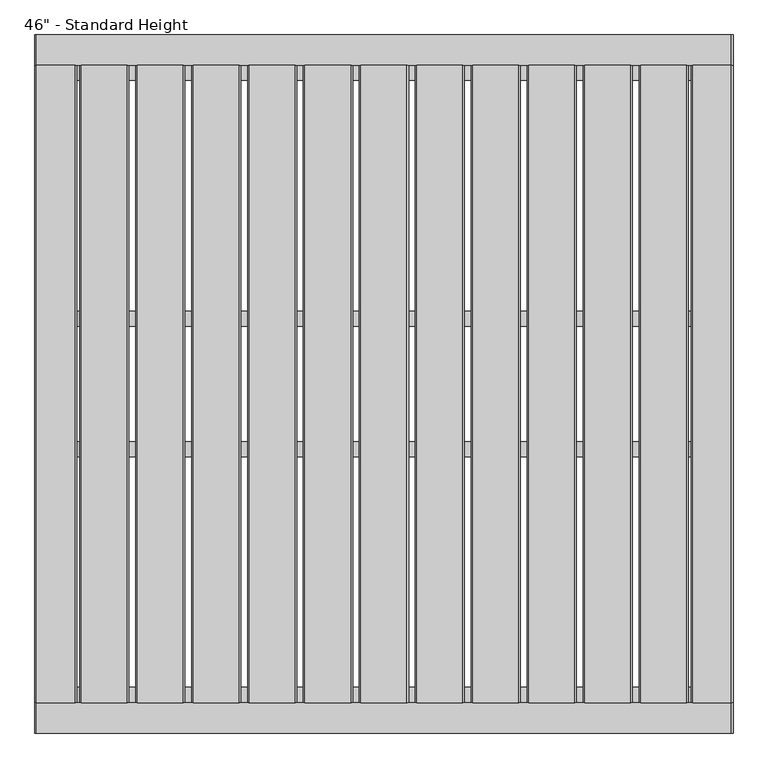
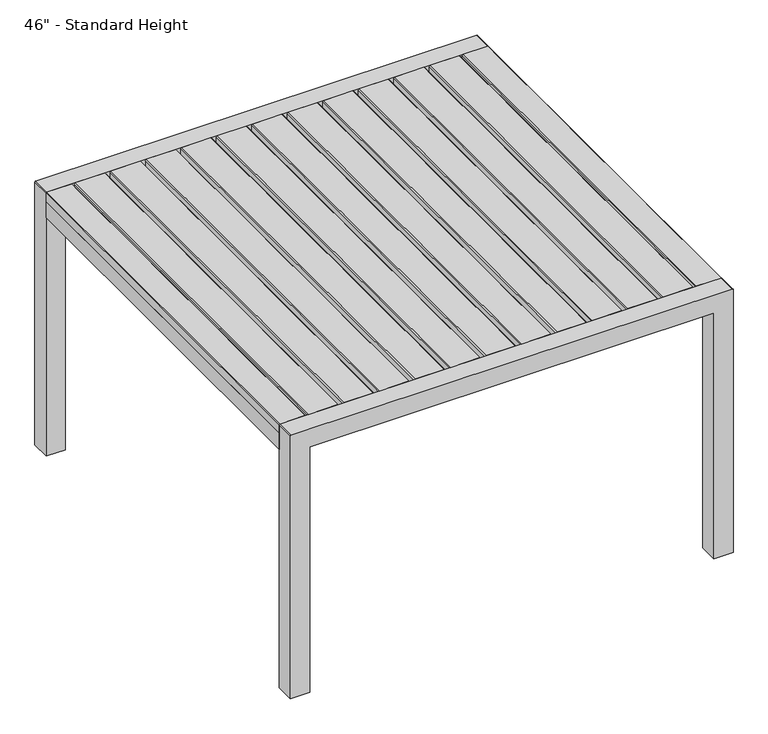
"""IFC4 building model written with IfcOpenShell, lengths in millimetres: furniture geometry."""

from ifc_helpers import new_model, si_unit, point, frame, frame_2d, origin, place, context, project, spatial, polyline, circle_curve, trimmed, segment, composite_curve, outline, extrude, source, transform, mapped, element, save


def furniture_1e94e66c(model_context):
    return source(origin(), model_context, "Body", "SweptSolid", [
        extrude(outline(polyline([(711.2, 415.6471875), (734.0767182, 415.6471875), (736.6, 413.1239373), (736.6, 336.0173127), (734.0767182, 333.4940625), (711.2, 333.4940625), (711.2, 415.6471875)])), frame((0.0, -537.4299408, 0.0), z_axis=(0.0, 1.0, 0.0), x_axis=(0.0, 0.0, 1.0)), (0.0, 0.0, 1.0), 1066.8),
        extrude(outline(polyline([(711.2, 322.0045313), (734.0767182, 322.0045313), (736.6, 319.4812811), (736.6, 242.3746564), (734.0767182, 239.8514063), (711.2, 239.8514063), (711.2, 322.0045313)])), frame((0.0, -537.4299408, 0.0), z_axis=(0.0, 1.0, 0.0), x_axis=(0.0, 0.0, 1.0)), (0.0, 0.0, 1.0), 1066.8),
        extrude(outline(polyline([(711.2, 228.361875), (734.0767182, 228.361875), (736.6, 225.8386248), (736.6, 148.7320002), (734.0767182, 146.20875), (711.2, 146.20875), (711.2, 228.361875)])), frame((0.0, -537.4299408, 0.0), z_axis=(0.0, 1.0, 0.0), x_axis=(0.0, 0.0, 1.0)), (0.0, 0.0, 1.0), 1066.8),
        extrude(outline(polyline([(711.2, 134.7192188), (734.0767182, 134.7192188), (736.6, 132.1959686), (736.6, 55.0893439), (734.0767182, 52.5660938), (711.2, 52.5660938), (711.2, 134.7192188)])), frame((0.0, -537.4299408, 0.0), z_axis=(0.0, 1.0, 0.0), x_axis=(0.0, 0.0, 1.0)), (0.0, 0.0, 1.0), 1066.8),
        extrude(outline(polyline([(711.2, 41.0765625), (734.0767182, 41.0765625), (736.6, 38.5533123), (736.6, -38.5533123), (734.0767182, -41.0765625), (711.2, -41.0765625), (711.2, 41.0765625)])), frame((0.0, -537.4299408, 0.0), z_axis=(0.0, 1.0, 0.0), x_axis=(0.0, 0.0, 1.0)), (0.0, 0.0, 1.0), 1066.8),
        extrude(outline(polyline([(711.2, -52.5660937), (734.0767182, -52.5660937), (736.6, -55.0893439), (736.6, -132.1959686), (734.0767182, -134.7192187), (711.2, -134.7192187), (711.2, -52.5660937)])), frame((0.0, -537.4299408, 0.0), z_axis=(0.0, 1.0, 0.0), x_axis=(0.0, 0.0, 1.0)), (0.0, 0.0, 1.0), 1066.8),
        extrude(outline(polyline([(711.2, -146.20875), (734.0767182, -146.20875), (736.6, -148.7320002), (736.6, -225.8386248), (734.0767182, -228.361875), (711.2, -228.361875), (711.2, -146.20875)])), frame((0.0, -537.4299408, 0.0), z_axis=(0.0, 1.0, 0.0), x_axis=(0.0, 0.0, 1.0)), (0.0, 0.0, 1.0), 1066.8),
        extrude(outline(polyline([(711.2, -239.8514063), (734.0767182, -239.8514063), (736.6, -242.3746564), (736.6, -319.4812811), (734.0767182, -322.0045312), (711.2, -322.0045312), (711.2, -239.8514063)])), frame((0.0, -537.4299408, 0.0), z_axis=(0.0, 1.0, 0.0), x_axis=(0.0, 0.0, 1.0)), (0.0, 0.0, 1.0), 1066.8),
        extrude(outline(polyline([(711.2, -333.4940625), (734.0767182, -333.4940625), (736.6, -336.0173127), (736.6, -413.1239373), (734.0767182, -415.6471875), (711.2, -415.6471875), (711.2, -333.4940625)])), frame((0.0, -537.4299408, 0.0), z_axis=(0.0, 1.0, 0.0), x_axis=(0.0, 0.0, 1.0)), (0.0, 0.0, 1.0), 1066.8),
        extrude(outline(polyline([(711.2, 509.2898438), (734.0767182, 509.2898438), (736.6, 506.7665936), (736.6, 429.6599689), (734.0767182, 427.1367188), (711.2, 427.1367188), (711.2, 509.2898438)])), frame((0.0, -537.4299408, 0.0), z_axis=(0.0, 1.0, 0.0), x_axis=(0.0, 0.0, 1.0)), (0.0, 0.0, 1.0), 1066.8),
        extrude(outline(polyline([(711.2, -427.1367188), (734.0767182, -427.1367188), (736.6, -429.6599689), (736.6, -506.7665936), (734.0767182, -509.2898437), (711.2, -509.2898437), (711.2, -427.1367188)])), frame((0.0, -537.4299408, 0.0), z_axis=(0.0, 1.0, 0.0), x_axis=(0.0, 0.0, 1.0)), (0.0, 0.0, 1.0), 1066.8),
        extrude(outline(polyline([(711.2, -584.2), (711.2, -514.3499879), (734.0596996, -514.3499879), (736.6, -516.8902519), (736.6, -581.6597481), (734.0597117, -584.2), (711.2, -584.2)])), frame((0.0, -537.4299408, 0.0), z_axis=(0.0, 1.0, 0.0), x_axis=(0.0, 0.0, 1.0)), (0.0, 0.0, 1.0), 1066.8),
        extrude(outline(polyline([(711.2, 584.2), (734.0597117, 584.2), (736.6, 581.6597481), (736.6, 516.8902519), (734.0596996, 514.3499879), (711.2, 514.3499879), (711.2, 584.2)])), frame((0.0, -537.4299408, 0.0), z_axis=(0.0, 1.0, 0.0), x_axis=(0.0, 0.0, 1.0)), (0.0, 0.0, 1.0), 1066.8),
        extrude(outline(polyline([(533.3999879, -100.3382701), (533.3999879, -125.7382731), (-533.3999879, -125.7382731), (-533.3999879, -100.3382701), (533.3999879, -100.3382701)])), frame((0.0, 0.0, 685.8), z_axis=(0.0, 0.0, 1.0), x_axis=(1.0, 0.0, 0.0)), (0.0, 0.0, 1.0), 25.4),
        extrude(outline(polyline([(533.3999879, -512.0299347), (533.3999879, -537.4299408), (-533.3999879, -537.4299408), (-533.3999879, -512.0299347), (533.3999879, -512.0299347)])), frame((0.0, 0.0, 685.8), z_axis=(0.0, 0.0, 1.0), x_axis=(1.0, 0.0, 0.0)), (0.0, 0.0, 1.0), 25.4),
        extrude(outline(polyline([(533.3999879, 529.3700592), (533.3999879, 503.9700532), (-533.3999879, 503.9700532), (-533.3999879, 529.3700592), (533.3999879, 529.3700592)])), frame((0.0, 0.0, 685.8), z_axis=(0.0, 0.0, 1.0), x_axis=(1.0, 0.0, 0.0)), (0.0, 0.0, 1.0), 25.4),
        extrude(outline(polyline([(533.3999879, 117.6783915), (533.3999879, 92.2783885), (-533.3999879, 92.2783885), (-533.3999879, 117.6783915), (533.3999879, 117.6783915)])), frame((0.0, 0.0, 685.8), z_axis=(0.0, 0.0, 1.0), x_axis=(1.0, 0.0, 0.0)), (0.0, 0.0, 1.0), 25.4),
        extrude(outline(polyline([(-533.3999879, -537.4299408), (-584.2, -537.4299408), (-584.2, 529.3700592), (-533.3999879, 529.3700592), (-533.3999879, -537.4299408)])), frame((0.0, 0.0, 665.734001), z_axis=(0.0, 0.0, 1.0), x_axis=(1.0, 0.0, 0.0)), (0.0, 0.0, 1.0), 45.465999),
        extrude(outline(polyline([(584.2, -537.4299408), (533.3999879, -537.4299408), (533.3999879, 529.3700592), (584.2, 529.3700592), (584.2, -537.4299408)])), frame((0.0, 0.0, 665.734001), z_axis=(0.0, 0.0, 1.0), x_axis=(1.0, 0.0, 0.0)), (0.0, 0.0, 1.0), 45.465999),
        extrude(outline(composite_curve([segment(polyline([(0.0, -533.3999879), (685.8, -533.3999879), (685.8, 533.3999879), (0.0, 533.3999879), (0.0, 584.2), (734.0203125, 584.2)]), True, "CONTINUOUS"), segment(trimmed(circle_curve(frame_2d((734.0203125, 581.6203125)), 2.5796875), [point((734.0203125, 584.2))], [point((736.6, 581.6203125))], False, "CARTESIAN"), True, "CONTINUOUS"), segment(polyline([(736.6, 581.6203125), (736.6, -581.6203125)]), True, "CONTINUOUS"), segment(trimmed(circle_curve(frame_2d((734.0203125, -581.6203125)), 2.5796875), [point((736.6, -581.6203125))], [point((734.0203125, -584.2))], False, "CARTESIAN"), True, "CONTINUOUS"), segment(polyline([(734.0203125, -584.2), (0.0, -584.2), (0.0, -533.3999879)]), True, "CONTINUOUS")], self_intersect=False)), frame((0.0, 529.3700592, 0.0), z_axis=(0.0, 1.0, 0.0), x_axis=(0.0, 0.0, 1.0)), (0.0, 0.0, 1.0), 50.8),
        extrude(outline(composite_curve([segment(polyline([(0.0, -533.3999879), (685.8, -533.3999879), (685.8, 533.3999879), (0.0, 533.3999879), (0.0, 584.2), (734.0203125, 584.2)]), True, "CONTINUOUS"), segment(trimmed(circle_curve(frame_2d((734.0203125, 581.6203125)), 2.5796875), [point((734.0203125, 584.2))], [point((736.6, 581.6203125))], False, "CARTESIAN"), True, "CONTINUOUS"), segment(polyline([(736.6, 581.6203125), (736.6, -581.6203125)]), True, "CONTINUOUS"), segment(trimmed(circle_curve(frame_2d((734.0203125, -581.6203125)), 2.5796875), [point((736.6, -581.6203125))], [point((734.0203125, -584.2))], False, "CARTESIAN"), True, "CONTINUOUS"), segment(polyline([(734.0203125, -584.2), (0.0, -584.2), (0.0, -533.3999879)]), True, "CONTINUOUS")], self_intersect=False)), frame((0.0, -588.2299408, 0.0), z_axis=(0.0, 1.0, 0.0), x_axis=(0.0, 0.0, 1.0)), (0.0, 0.0, 1.0), 50.8),
    ])


if __name__ == "__main__":
    model = new_model("IFC4")
    model_context = context("Model", 3, world=origin())
    ifc_project = project(units=[si_unit("LENGTHUNIT", "METRE", prefix="MILLI")], contexts=[model_context])
    site = spatial("IfcSite", under=ifc_project)
    building = spatial("IfcBuilding", under=site)
    placement = place(None, origin())
    furniture_shape = furniture_1e94e66c(model_context)
    element("IfcFurniture", 1, ObjectType="46\" - Standard Height", at=placement, inside=building, context=model_context, shape_type="MappedRepresentation", body=[
        mapped(furniture_shape, transform((0.0, 0.0, 0.0), x_axis=(1.0, 0.0, 0.0), y_axis=(0.0, 1.0, 0.0), z_axis=(0.0, 0.0, 1.0))),
    ])
    save(model, "model.ifc")
